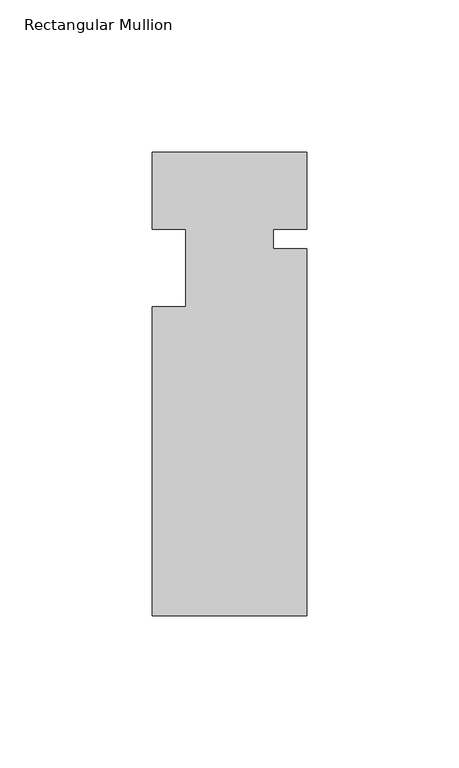
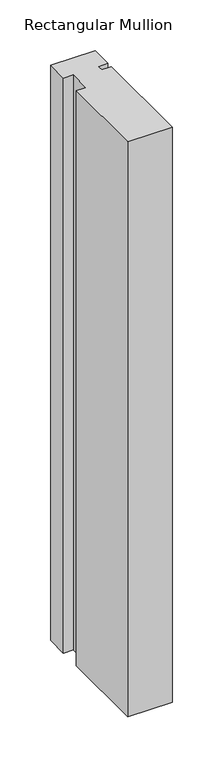
"""IFC4 building model written with IfcOpenShell, lengths in millimetres: member geometry, Rectangular Mullion."""

from ifc_helpers import new_model, si_unit, frame, origin, place, context, project, spatial, polyline, outline, extrude, source, transform, mapped, element, save


def rectangular_mullion_ccdad933(model_context):
    return source(origin(), model_context, "Body", "SweptSolid", [
        extrude(outline(polyline([(-25.4, 0.0), (25.4, 0.0), (25.4, -25.4), (14.398625, -25.4), (14.398625, -31.75), (25.4, -31.75), (25.4, -152.4), (-25.4, -152.4), (-25.4, -50.8), (-14.398625, -50.8), (-14.398625, -25.4), (-25.4, -25.4), (-25.4, 0.0)])), frame((0.0, 0.0, -694.2668569), z_axis=(0.0, 0.0, 1.0), x_axis=(1.0, 0.0, 0.0)), (0.0, 0.0, 1.0), 694.2668569),
    ])


if __name__ == "__main__":
    model = new_model("IFC4")
    model_context = context("Model", 3, world=origin())
    ifc_project = project(units=[si_unit("LENGTHUNIT", "METRE", prefix="MILLI")], contexts=[model_context])
    site = spatial("IfcSite", under=ifc_project)
    building = spatial("IfcBuilding", under=site)
    placement = place(None, origin())
    rectangular_mullion_shape = rectangular_mullion_ccdad933(model_context)
    element("IfcMember", 1, ObjectType="Rectangular Mullion", at=placement, inside=building, context=model_context, shape_type="MappedRepresentation", body=[
        mapped(rectangular_mullion_shape, transform((0.0, 0.0, 0.0), x_axis=(1.0, 0.0, 0.0), y_axis=(0.0, 1.0, 0.0), z_axis=(0.0, 0.0, 1.0))),
    ])
    save(model, "model.ifc")
